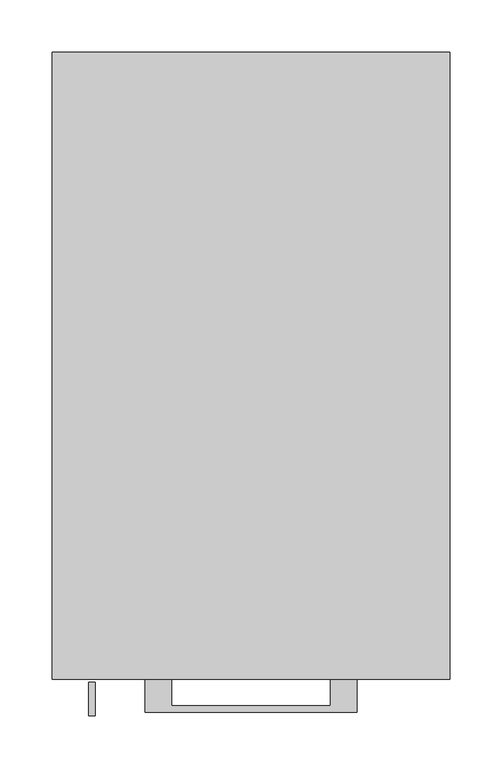
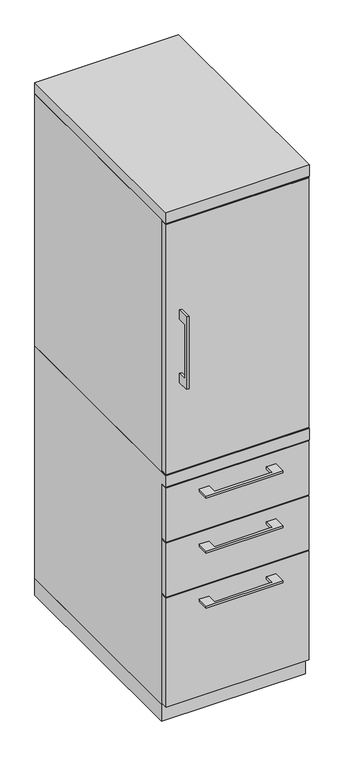
"""IFC4 building model written with IfcOpenShell, lengths in millimetres: furniture geometry."""

from ifc_helpers import new_model, si_unit, frame, origin, origin_with_axes, place, context, project, spatial, polyline, outline, extrude, faceted_brep, source, transform, mapped, element, save


def furniture_8a07cb41(model_context):
    return source(origin(), model_context, "Body", "SolidModel", [
        extrude(outline(polyline([(-603.25, 1127.125), (-628.6499758, 1127.125), (-628.6499758, 974.725), (-603.25, 974.725), (-603.25, 949.325), (-634.9999879, 949.325), (-634.9999879, 1152.525), (-603.25, 1152.525), (-603.25, 1127.125)])), frame((-155.5749879, 0.0, 0.0), z_axis=(1.0, 0.0, 0.0), x_axis=(0.0, 1.0, 0.0)), (0.0, 0.0, 1.0), 6.3499758),
        extrude(outline(polyline([(188.9125, -600.075), (-188.9125, -600.075), (-188.9125, -581.025), (188.9125, -581.025), (188.9125, -600.075)])), frame((0.0, 0.0, 701.675), z_axis=(0.0, 0.0, 1.0), x_axis=(1.0, 0.0, 0.0)), (0.0, 0.0, 1.0), 698.5),
        extrude(outline(polyline([(-76.1999818, -600.075), (-76.1999818, -625.4749758), (76.2, -625.4749758), (76.2, -600.075), (101.5999939, -600.075), (101.5999939, -631.8249879), (-101.5999939, -631.8249879), (-101.5999939, -600.075), (-76.1999818, -600.075)])), frame((0.0, 0.0, 623.8875506), z_axis=(0.0, 0.0, 1.0), x_axis=(1.0, 0.0, 0.0)), (0.0, 0.0, 1.0), 6.3499758),
        extrude(outline(polyline([(188.9125, -581.025), (188.9125, -600.075), (-188.9125, -600.075), (-188.9125, -581.025), (188.9125, -581.025)])), frame((0.0, 0.0, 512.7625), z_axis=(0.0, 0.0, 1.0), x_axis=(1.0, 0.0, 0.0)), (0.0, 0.0, 1.0), 150.8125),
        extrude(outline(polyline([(-76.1999818, -600.075), (-76.1999818, -625.4749758), (76.2, -625.4749758), (76.2, -600.075), (101.5999939, -600.075), (101.5999939, -631.8249879), (-101.5999939, -631.8249879), (-101.5999939, -600.075), (-76.1999818, -600.075)])), frame((0.0, 0.0, 469.9000506), z_axis=(0.0, 0.0, 1.0), x_axis=(1.0, 0.0, 0.0)), (0.0, 0.0, 1.0), 6.3499758),
        extrude(outline(polyline([(188.9125, -581.025), (188.9125, -600.075), (-188.9125, -600.075), (-188.9125, -581.025), (188.9125, -581.025)])), frame((0.0, 0.0, 358.775), z_axis=(0.0, 0.0, 1.0), x_axis=(1.0, 0.0, 0.0)), (0.0, 0.0, 1.0), 150.8125),
        extrude(outline(polyline([(-76.1999818, -600.075), (-76.1999818, -625.4749758), (76.2, -625.4749758), (76.2, -600.075), (101.5999939, -600.075), (101.5999939, -631.8249879), (-101.5999939, -631.8249879), (-101.5999939, -600.075), (-76.1999818, -600.075)])), frame((0.0, 0.0, 315.9125506), z_axis=(0.0, 0.0, 1.0), x_axis=(1.0, 0.0, 0.0)), (0.0, 0.0, 1.0), 6.3499758),
        extrude(outline(polyline([(188.9125, -581.025), (188.9125, -600.075), (-188.9125, -600.075), (-188.9125, -581.025), (188.9125, -581.025)])), frame((0.0, 0.0, 50.8), z_axis=(0.0, 0.0, 1.0), x_axis=(1.0, 0.0, 0.0)), (0.0, 0.0, 1.0), 304.8),
        extrude(outline(polyline([(188.9125, -581.025), (188.9125, -600.075), (-188.9125, -600.075), (-188.9125, -581.025), (188.9125, -581.025)])), frame((0.0, 0.0, 698.5), z_axis=(0.0, 0.0, 1.0), x_axis=(1.0, 0.0, 0.0)), (0.0, 0.0, 1.0), 704.85),
        extrude(outline(polyline([(-171.45, 0.0), (-171.45, -581.025), (-190.5, -581.025), (-190.5, 0.0), (-171.45, 0.0)])), frame((0.0, 0.0, 698.5), z_axis=(0.0, 0.0, 1.0), x_axis=(1.0, 0.0, 0.0)), (0.0, 0.0, 1.0), 704.85),
        extrude(outline(polyline([(190.5, -581.025), (171.45, -581.025), (171.45, 0.0), (190.5, 0.0), (190.5, -581.025)])), frame((0.0, 0.0, 698.5), z_axis=(0.0, 0.0, 1.0), x_axis=(1.0, 0.0, 0.0)), (0.0, 0.0, 1.0), 704.85),
        extrude(outline(polyline([(171.45, -19.05), (-171.45, -19.05), (-171.45, 0.0), (171.45, 0.0), (171.45, -19.05)])), frame((0.0, 0.0, 47.625), z_axis=(0.0, 0.0, 1.0), x_axis=(1.0, 0.0, 0.0)), (0.0, 0.0, 1.0), 1355.725),
        faceted_brep([(-171.45, 0.0, 698.5), (-190.5, 0.0, 698.5), (-190.5, -600.075, 698.5), (190.5, -600.075, 698.5), (190.5, 0.0, 698.5), (171.45, 0.0, 698.5), (171.45, -19.05, 698.5), (-171.45, -19.05, 698.5), (-171.45, 0.0, 47.625), (-171.45, -581.025, 47.625), (-190.5, -581.025, 47.625), (-190.5, 0.0, 47.625), (-190.5, -581.025, 666.75), (-190.5, -600.075, 666.75), (-171.45, -581.025, 666.75), (-171.45, -19.05, 666.75), (190.5, -600.075, 666.75), (171.45, -19.05, 666.75), (171.45, -581.025, 666.75), (190.5, -581.025, 666.75), (190.5, -581.025, 47.625), (190.5, 0.0, 47.625), (171.45, -581.025, 47.625), (171.45, 0.0, 47.625)], [[[0, 1, 2, 3, 4, 5, 6, 7]], [[8, 9, 10, 11]], [[1, 0, 8, 11]], [[11, 10, 12, 13, 2, 1]], [[10, 9, 14, 12]], [[9, 8, 0, 7, 15, 14]], [[16, 13, 12, 14, 15, 17, 18, 19]], [[15, 7, 6, 17]], [[3, 2, 13, 16]], [[4, 3, 16, 19, 20, 21]], [[21, 20, 22, 23]], [[5, 4, 21, 23]], [[23, 22, 18, 17, 6, 5]], [[22, 20, 19, 18]]]),
        extrude(outline(polyline([(190.5, 0.0), (190.5, -600.075), (-190.5, -600.075), (-190.5, 0.0), (190.5, 0.0)])), frame((0.0, 0.0, 1403.35), z_axis=(0.0, 0.0, 1.0), x_axis=(1.0, 0.0, 0.0)), (0.0, 0.0, 1.0), 31.75),
        extrude(outline(polyline([(190.5, 0.0), (190.5, -581.025), (-190.5, -581.025), (-190.5, 0.0), (190.5, 0.0)])), origin_with_axes(), (0.0, 0.0, 1.0), 47.625),
    ])


if __name__ == "__main__":
    model = new_model("IFC4")
    model_context = context("Model", 3, world=origin())
    ifc_project = project(units=[si_unit("LENGTHUNIT", "METRE", prefix="MILLI")], contexts=[model_context])
    site = spatial("IfcSite", under=ifc_project)
    building = spatial("IfcBuilding", under=site)
    placement = place(None, origin())
    furniture_shape = furniture_8a07cb41(model_context)
    element("IfcFurniture", 1, at=placement, inside=building, context=model_context, shape_type="MappedRepresentation", body=[
        mapped(furniture_shape, transform((0.0, 0.0, 0.0), x_axis=(1.0, 0.0, 0.0), y_axis=(0.0, 1.0, 0.0), z_axis=(0.0, 0.0, 1.0))),
    ])
    save(model, "model.ifc")
